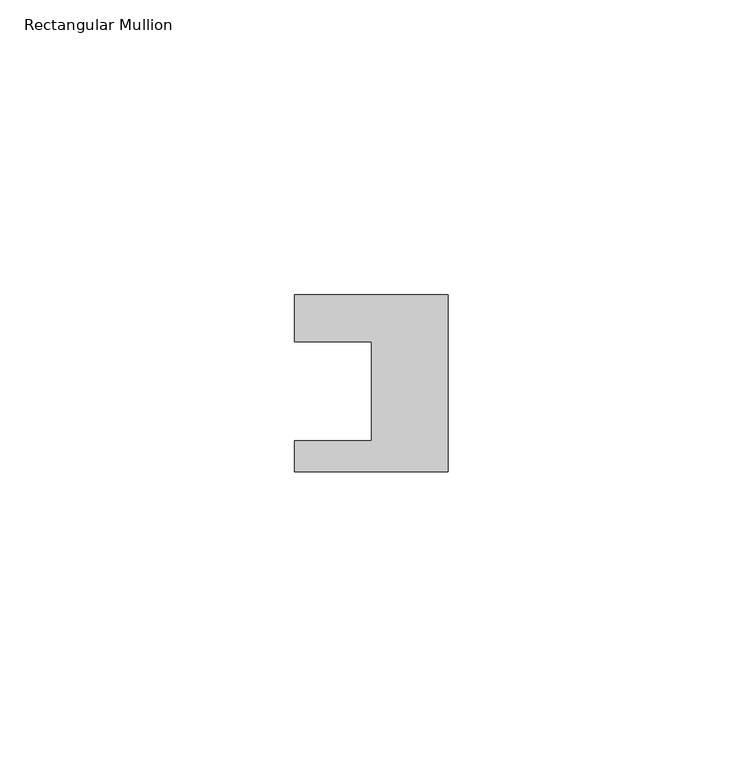
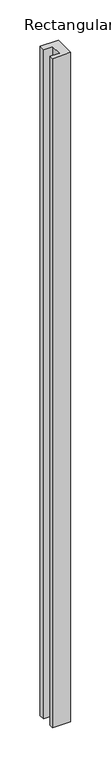
"""IFC4 building model written with IfcOpenShell, lengths in millimetres: member geometry, Rectangular Mullion."""

from ifc_helpers import new_model, si_unit, frame, origin, place, context, project, spatial, polyline, outline, extrude, source, transform, mapped, element, save


def rectangular_mullion_846cc6ec(model_context):
    return source(origin(), model_context, "Body", "SweptSolid", [
        extrude(outline(polyline([(-26.0, 0.001), (-26.0, 7.94), (0.0, 7.94), (0.0, -22.06), (-26.0, -22.06), (-26.0, -16.8), (-13.0, -16.8), (-13.0, 0.001), (-26.0, 0.001)])), frame((0.0, 0.0, -1010.0), z_axis=(0.0, 0.0, 1.0), x_axis=(1.0, 0.0, 0.0)), (0.0, 0.0, 1.0), 1010.0),
    ])


if __name__ == "__main__":
    model = new_model("IFC4")
    model_context = context("Model", 3, world=origin())
    ifc_project = project(units=[si_unit("LENGTHUNIT", "METRE", prefix="MILLI")], contexts=[model_context])
    site = spatial("IfcSite", under=ifc_project)
    building = spatial("IfcBuilding", under=site)
    placement = place(None, origin())
    rectangular_mullion_shape = rectangular_mullion_846cc6ec(model_context)
    element("IfcMember", 1, ObjectType="Rectangular Mullion", at=placement, inside=building, context=model_context, shape_type="MappedRepresentation", body=[
        mapped(rectangular_mullion_shape, transform((0.0, 0.0, 0.0), x_axis=(1.0, 0.0, 0.0), y_axis=(0.0, 1.0, 0.0), z_axis=(0.0, 0.0, 1.0))),
    ])
    save(model, "model.ifc")
